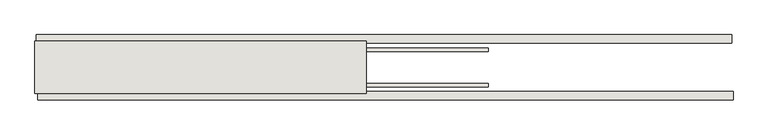
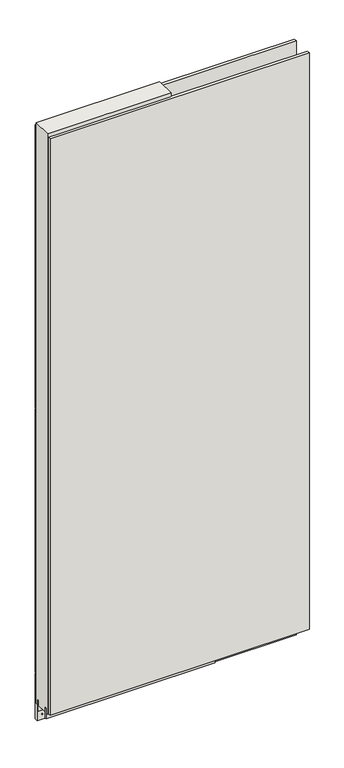
"""IFC4 building model written with IfcOpenShell, lengths in millimetres: wall geometry."""

from ifc_helpers import new_model, si_unit, frame, origin, place, context, project, spatial, polyline, outline, extrude, source, transform, mapped, element, save


def wall_9d4eb58b(model_context):
    return source(origin(), model_context, "Body", "SweptSolid", [
        extrude(outline(polyline([(84716.2938132, -51524.0345692), (84718.8338132, -51524.0345692), (84718.8338132, -51526.5745692), (84716.2938132, -51526.5745692), (84716.2938132, -51524.0345692)])), frame((0.0, 0.0, 4419.6), z_axis=(0.0, 0.0, 1.0), x_axis=(1.0, 0.0, 0.0)), (0.0, 0.0, 1.0), 2.54),
        extrude(outline(polyline([(85804.1981144, -51576.1045692), (84720.7606572, -51576.1045692), (84720.7606572, -51563.4045692), (85804.1981144, -51563.4045692), (85804.1981144, -51576.1045692)])), frame((0.0, 0.0, 4445.0), z_axis=(0.0, 0.0, 1.0), x_axis=(1.0, 0.0, 0.0)), (0.0, 0.0, 1.0), 2545.0498756),
        extrude(outline(polyline([(84718.29259, -51474.5045692), (85801.7300472, -51474.5045692), (85801.7300472, -51487.2045692), (84718.29259, -51487.2045692), (84718.29259, -51474.5045692)])), frame((0.0, 0.0, 4573.9999706), z_axis=(0.0, 0.0, 1.0), x_axis=(1.0, 0.0, 0.0)), (0.0, 0.0, 1.0), 1164.400008),
        extrude(outline(polyline([(84718.29259, -51474.5045692), (85801.7300472, -51474.5045692), (85801.7300472, -51487.2045692), (84718.29259, -51487.2045692), (84718.29259, -51474.5045692)])), frame((0.0, 0.0, 5742.4000722), z_axis=(0.0, 0.0, 1.0), x_axis=(1.0, 0.0, 0.0)), (0.0, 0.0, 1.0), 1247.649905),
        extrude(outline(polyline([(84718.29259, -51474.5045692), (85801.7300472, -51474.5045692), (85801.7300472, -51487.2045692), (84718.29259, -51487.2045692), (84718.29259, -51474.5045692)])), frame((0.0, 0.0, 4368.1000014), z_axis=(0.0, 0.0, 1.0), x_axis=(1.0, 0.0, 0.0)), (0.0, 0.0, 1.0), 201.9000026),
        extrude(outline(polyline([(84716.2925686, -51550.3914126), (85422.7424892, -51550.3914126), (85422.7424892, -51555.4732668), (84716.2925686, -51555.4732668), (84716.2925686, -51550.3914126)])), frame((0.0, 0.0, 4418.6602), z_axis=(0.0, 0.0, 1.0), x_axis=(1.0, 0.0, 0.0)), (0.0, 0.0, 1.0), 47.625),
        extrude(outline(polyline([(84716.2925686, -51550.3914126), (85422.7424892, -51550.3914126), (85422.7424892, -51555.4732668), (84716.2925686, -51555.4732668), (84716.2925686, -51550.3914126)])), frame((0.0, 0.0, 4418.6602), z_axis=(0.0, 0.0, 1.0), x_axis=(1.0, 0.0, 0.0)), (0.0, 0.0, 1.0), 47.625),
        extrude(outline(polyline([(85422.7424892, -51500.2270222), (84716.2925686, -51500.2270222), (84716.2925686, -51495.1482668), (85422.7424892, -51495.1482668), (85422.7424892, -51500.2270222)])), frame((0.0, 0.0, 4418.6602), z_axis=(0.0, 0.0, 1.0), x_axis=(1.0, 0.0, 0.0)), (0.0, 0.0, 1.0), 47.625),
        extrude(outline(polyline([(85422.7424892, -51500.2270222), (84716.2925686, -51500.2270222), (84716.2925686, -51495.1482668), (85422.7424892, -51495.1482668), (85422.7424892, -51500.2270222)])), frame((0.0, 0.0, 4418.6602), z_axis=(0.0, 0.0, 1.0), x_axis=(1.0, 0.0, 0.0)), (0.0, 0.0, 1.0), 47.625),
        extrude(outline(polyline([(84716.2925686, -51565.9377366), (84716.2925686, -51484.6558824), (85232.2424892, -51484.6558824), (85232.2424892, -51565.9377366), (84716.2925686, -51565.9377366)])), frame((0.0, 0.0, 4445.0), z_axis=(0.0, 0.0, 1.0), x_axis=(1.0, 0.0, 0.0)), (0.0, 0.0, 1.0), 2562.4536762),
    ])


if __name__ == "__main__":
    model = new_model("IFC4")
    model_context = context("Model", 3, world=origin())
    ifc_project = project(units=[si_unit("LENGTHUNIT", "METRE", prefix="MILLI")], contexts=[model_context])
    site = spatial("IfcSite", under=ifc_project)
    building = spatial("IfcBuilding", under=site)
    placement = place(None, origin())
    wall_shape = wall_9d4eb58b(model_context)
    element("IfcWall", 1, at=placement, inside=building, context=model_context, shape_type="MappedRepresentation", body=[
        mapped(wall_shape, transform((0.0, 0.0, 0.0), x_axis=(1.0, 0.0, 0.0), y_axis=(0.0, 1.0, 0.0), z_axis=(0.0, 0.0, 1.0))),
    ])
    save(model, "model.ifc")
